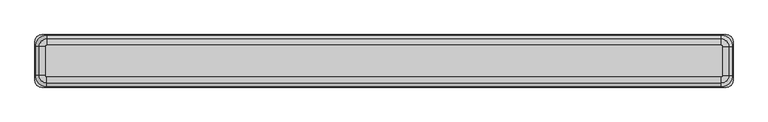
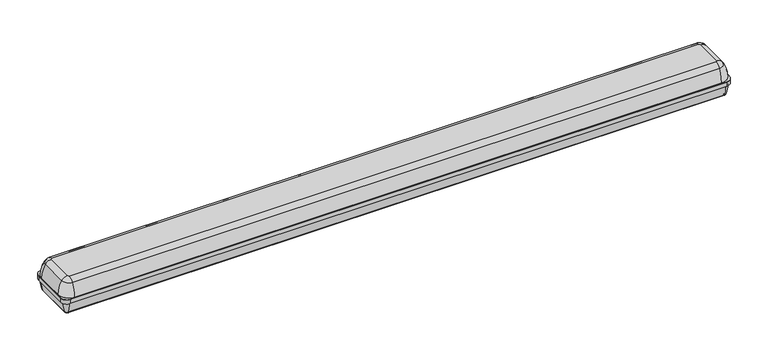
"""IFC4 building model written with IfcOpenShell, lengths in millimetres: light fixture geometry."""

from ifc_helpers import new_model, si_unit, point, frame, frame_2d, origin, origin_with_axes, place, context, project, spatial, polyline, circle_curve, ellipse_curve, trimmed, segment, composite_curve, outline, extrude, source, transform, mapped, element, save
from ifc_brep_helpers import plane_surface, cylinder_surface, revolved_surface, advanced_brep


def light_fixture_72950779(model_context):
    return source(origin(), model_context, "Body", "SolidModel", [
        extrude(outline(composite_curve([segment(trimmed(circle_curve(frame_2d((768.0, 44.0)), 1.3187148), [point((768.0, 45.3187148))], [point((769.3187148, 44.0))], False, "CARTESIAN"), True, "CONTINUOUS"), segment(polyline([(769.3187148, 44.0), (769.3187148, -44.0)]), True, "CONTINUOUS"), segment(trimmed(circle_curve(frame_2d((768.0, -44.0)), 1.3187148), [point((769.3187148, -44.0))], [point((768.0, -45.3187148))], False, "CARTESIAN"), True, "CONTINUOUS"), segment(polyline([(768.0, -45.3187148), (-768.0, -45.3187148)]), True, "CONTINUOUS"), segment(trimmed(circle_curve(frame_2d((-768.0, -44.0)), 1.3187148), [point((-768.0, -45.3187148))], [point((-769.3187148, -44.0))], False, "CARTESIAN"), True, "CONTINUOUS"), segment(polyline([(-769.3187148, -44.0), (-769.3187148, 44.0)]), True, "CONTINUOUS"), segment(trimmed(circle_curve(frame_2d((-768.0, 44.0)), 1.3187148), [point((-769.3187148, 44.0))], [point((-768.0, 45.3187148))], False, "CARTESIAN"), True, "CONTINUOUS"), segment(polyline([(-768.0, 45.3187148), (768.0, 45.3187148)]), True, "CONTINUOUS")], self_intersect=False)), origin_with_axes(), (0.0, 0.0, 1.0), 40.0),
        extrude(outline(composite_curve([segment(trimmed(circle_curve(frame_2d((-768.0, 44.0)), 15.0), [point((-783.0, 44.0))], [point((-768.0, 59.0))], False, "CARTESIAN"), True, "CONTINUOUS"), segment(polyline([(-768.0, 59.0), (768.0, 59.0)]), True, "CONTINUOUS"), segment(trimmed(circle_curve(frame_2d((768.0, 44.0)), 15.0), [point((768.0, 59.0))], [point((783.0, 44.0))], False, "CARTESIAN"), True, "CONTINUOUS"), segment(polyline([(783.0, 44.0), (783.0, -44.0)]), True, "CONTINUOUS"), segment(trimmed(circle_curve(frame_2d((768.0, -44.0)), 15.0), [point((783.0, -44.0))], [point((768.0, -59.0))], False, "CARTESIAN"), True, "CONTINUOUS"), segment(polyline([(768.0, -59.0), (-768.0, -59.0)]), True, "CONTINUOUS"), segment(trimmed(circle_curve(frame_2d((-768.0, -44.0)), 15.0), [point((-768.0, -59.0))], [point((-783.0, -44.0))], False, "CARTESIAN"), True, "CONTINUOUS"), segment(polyline([(-783.0, -44.0), (-783.0, 44.0)]), True, "CONTINUOUS")], self_intersect=False), holes=[composite_curve([segment(trimmed(circle_curve(frame_2d((757.0, -33.0)), 23.9920951), [point((757.0, -56.9920951))], [point((780.9920951, -33.0))], True, "CARTESIAN"), True, "CONTINUOUS"), segment(polyline([(780.9920951, -33.0), (780.9920951, 33.0)]), True, "CONTINUOUS"), segment(trimmed(circle_curve(frame_2d((757.0, 33.0)), 23.9920951), [point((780.9920951, 33.0))], [point((757.0, 56.9920951))], True, "CARTESIAN"), True, "CONTINUOUS"), segment(polyline([(757.0, 56.9920951), (-757.0, 56.9920951)]), True, "CONTINUOUS"), segment(trimmed(circle_curve(frame_2d((-757.0, 33.0)), 23.9920951), [point((-757.0, 56.9920951))], [point((-780.9920951, 33.0))], True, "CARTESIAN"), True, "CONTINUOUS"), segment(polyline([(-780.9920951, 33.0), (-780.9920951, -33.0)]), True, "CONTINUOUS"), segment(trimmed(circle_curve(frame_2d((-757.0, -33.0)), 23.9920951), [point((-780.9920951, -33.0))], [point((-757.0, -56.9920951))], True, "CARTESIAN"), True, "CONTINUOUS"), segment(polyline([(-757.0, -56.9920951), (757.0, -56.9920951)]), True, "CONTINUOUS")], self_intersect=False)]), frame((0.0, 0.0, 40.0), z_axis=(0.0, 0.0, 1.0), x_axis=(1.0, 0.0, 0.0)), (0.0, 0.0, 1.0), 1.0),
        advanced_brep(
        [(-779.7246506, 44.0, 30.0), (-768.0, 55.7246506, 30.0), (-768.0, 50.2102035, 3.9639793), (-774.2102035, 44.0, 3.9639793), (-774.2102035, -44.0, 3.9639793), (-779.7246506, -44.0, 30.0), (-768.0, -55.7246506, 30.0), (-768.0, -50.2102035, 3.9639793), (768.0, -50.2102035, 3.9639793), (768.0, -55.7246506, 30.0), (779.7246506, -44.0, 30.0), (774.2102035, -44.0, 3.9639793), (774.2102035, 44.0, 3.9639793), (779.7246506, 44.0, 30.0), (768.0, 55.7246506, 30.0), (768.0, 50.2102035, 3.9639793), (-783.0, 44.0, 40.0), (-768.0, 59.0, 40.0), (-768.0, 59.0, 30.0), (-783.0, 44.0, 30.0), (-769.3187148, 44.0, 0.0), (-768.0, 45.3187148, 0.0), (-768.0, 45.3187148, 2.0), (-769.3187148, 44.0, 2.0), (-783.0, -44.0, 30.0), (-783.0, -44.0, 40.0), (-769.3187148, 44.0, 40.0), (-769.3187148, -44.0, 40.0), (-769.3187148, -44.0, 2.0), (-769.3187148, -44.0, 0.0), (-768.0, -59.0, 40.0), (-768.0, -59.0, 30.0), (-768.0, -45.3187148, 0.0), (-768.0, -45.3187148, 2.0), (768.0, -59.0, 30.0), (768.0, -59.0, 40.0), (-768.0, -45.3187148, 40.0), (768.0, -45.3187148, 40.0), (768.0, -45.3187148, 2.0), (768.0, -45.3187148, 0.0), (783.0, -44.0, 40.0), (783.0, -44.0, 30.0), (769.3187148, -44.0, 0.0), (769.3187148, -44.0, 2.0), (783.0, 44.0, 30.0), (783.0, 44.0, 40.0), (769.3187148, -44.0, 40.0), (769.3187148, 44.0, 40.0), (769.3187148, 44.0, 2.0), (769.3187148, 44.0, 0.0), (768.0, 59.0, 40.0), (768.0, 59.0, 30.0), (768.0, 45.3187148, 0.0), (768.0, 45.3187148, 2.0), (-768.0, 45.3187148, 40.0), (768.0, 45.3187148, 40.0)],
        [
            (0, 1, circle_curve(frame((-768.0, 44.0, 30.0), z_axis=(0.0, 0.0, -1.0), x_axis=(0.0, 1.0, 0.0)), 11.7246506)),
            (1, 2),
            (2, 3, circle_curve(frame((-768.0, 44.0, 3.9639793), z_axis=(0.0, 0.0, 1.0), x_axis=(0.0, 1.0, 0.0)), 6.2102035)),
            (3, 0),
            (3, 4),
            (4, 5),
            (5, 0),
            (6, 5, circle_curve(frame((-768.0, -44.0, 30.0), z_axis=(0.0, 0.0, -1.0), x_axis=(-1.0, 0.0, 0.0)), 11.7246506)),
            (4, 7, circle_curve(frame((-768.0, -44.0, 3.9639793), z_axis=(0.0, 0.0, 1.0), x_axis=(-1.0, 0.0, 0.0)), 6.2102035)),
            (7, 6),
            (7, 8),
            (8, 9),
            (9, 6),
            (10, 9, circle_curve(frame((768.0, -44.0, 30.0), z_axis=(0.0, 0.0, -1.0), x_axis=(0.0, -1.0, 0.0)), 11.7246506)),
            (8, 11, circle_curve(frame((768.0, -44.0, 3.9639793), z_axis=(0.0, 0.0, 1.0), x_axis=(0.0, -1.0, 0.0)), 6.2102035)),
            (11, 10),
            (11, 12),
            (12, 13),
            (13, 10),
            (14, 13, circle_curve(frame((768.0, 44.0, 30.0), z_axis=(0.0, 0.0, -1.0), x_axis=(1.0, 0.0, 0.0)), 11.7246506)),
            (12, 15, circle_curve(frame((768.0, 44.0, 3.9639793), z_axis=(0.0, 0.0, 1.0), x_axis=(1.0, 0.0, 0.0)), 6.2102035)),
            (15, 14),
            (15, 2),
            (1, 14),
            (16, 17, circle_curve(frame((-768.0, 44.0, 40.0), z_axis=(0.0, 0.0, -1.0), x_axis=(0.0, 1.0, 0.0)), 15.0)),
            (17, 18),
            (18, 19, circle_curve(frame((-768.0, 44.0, 30.0), z_axis=(0.0, 0.0, 1.0), x_axis=(0.0, 1.0, 0.0)), 15.0)),
            (19, 16),
            (20, 21, circle_curve(frame((-768.0, 44.0, 0.0), z_axis=(0.0, 0.0, -1.0), x_axis=(0.0, 1.0, 0.0)), 1.3187148)),
            (21, 22),
            (22, 23, circle_curve(frame((-768.0, 44.0, 2.0), z_axis=(0.0, 0.0, 1.0), x_axis=(0.0, 1.0, 0.0)), 1.3187148)),
            (23, 20),
            (2, 21, circle_curve(frame((-768.0, 45.3187148, 5.0), z_axis=(-1.0, 0.0, 0.0), x_axis=(0.0, -1.0, 0.0)), 5.0)),
            (20, 3, circle_curve(frame((-769.3187148, 44.0, 5.0), z_axis=(0.0, 1.0, 0.0), x_axis=(1.0, 0.0, 0.0)), 5.0)),
            (19, 24),
            (24, 25),
            (25, 16),
            (23, 26),
            (26, 27),
            (27, 28),
            (28, 29),
            (29, 20),
            (29, 4, circle_curve(frame((-769.3187148, -44.0, 5.0), z_axis=(0.0, 1.0, 0.0), x_axis=(1.0, 0.0, 0.0)), 5.0)),
            (30, 25, circle_curve(frame((-768.0, -44.0, 40.0), z_axis=(0.0, 0.0, -1.0), x_axis=(-1.0, 0.0, 0.0)), 15.0)),
            (24, 31, circle_curve(frame((-768.0, -44.0, 30.0), z_axis=(0.0, 0.0, 1.0), x_axis=(-1.0, 0.0, 0.0)), 15.0)),
            (31, 30),
            (32, 29, circle_curve(frame((-768.0, -44.0, 0.0), z_axis=(0.0, 0.0, -1.0), x_axis=(-1.0, 0.0, 0.0)), 1.3187148)),
            (28, 33, circle_curve(frame((-768.0, -44.0, 2.0), z_axis=(0.0, 0.0, 1.0), x_axis=(-1.0, 0.0, 0.0)), 1.3187148)),
            (33, 32),
            (32, 7, circle_curve(frame((-768.0, -45.3187148, 5.0), z_axis=(-1.0, 0.0, 0.0), x_axis=(0.0, 1.0, 0.0)), 5.0)),
            (31, 34),
            (34, 35),
            (35, 30),
            (33, 36),
            (36, 37),
            (37, 38),
            (38, 39),
            (39, 32),
            (39, 8, circle_curve(frame((768.0, -45.3187148, 5.0), z_axis=(-1.0, 0.0, 0.0), x_axis=(0.0, 1.0, 0.0)), 5.0)),
            (40, 35, circle_curve(frame((768.0, -44.0, 40.0), z_axis=(0.0, 0.0, -1.0), x_axis=(0.0, -1.0, 0.0)), 15.0)),
            (34, 41, circle_curve(frame((768.0, -44.0, 30.0), z_axis=(0.0, 0.0, 1.0), x_axis=(0.0, -1.0, 0.0)), 15.0)),
            (41, 40),
            (42, 39, circle_curve(frame((768.0, -44.0, 0.0), z_axis=(0.0, 0.0, -1.0), x_axis=(0.0, -1.0, 0.0)), 1.3187148)),
            (38, 43, circle_curve(frame((768.0, -44.0, 2.0), z_axis=(0.0, 0.0, 1.0), x_axis=(0.0, -1.0, 0.0)), 1.3187148)),
            (43, 42),
            (42, 11, circle_curve(frame((769.3187148, -44.0, 5.0), z_axis=(0.0, -1.0, 0.0), x_axis=(-1.0, 0.0, 0.0)), 5.0)),
            (41, 44),
            (44, 45),
            (45, 40),
            (43, 46),
            (46, 47),
            (47, 48),
            (48, 49),
            (49, 42),
            (49, 12, circle_curve(frame((769.3187148, 44.0, 5.0), z_axis=(0.0, -1.0, 0.0), x_axis=(-1.0, 0.0, 0.0)), 5.0)),
            (50, 45, circle_curve(frame((768.0, 44.0, 40.0), z_axis=(0.0, 0.0, -1.0), x_axis=(1.0, 0.0, 0.0)), 15.0)),
            (44, 51, circle_curve(frame((768.0, 44.0, 30.0), z_axis=(0.0, 0.0, 1.0), x_axis=(1.0, 0.0, 0.0)), 15.0)),
            (51, 50),
            (52, 49, circle_curve(frame((768.0, 44.0, 0.0), z_axis=(0.0, 0.0, -1.0), x_axis=(1.0, 0.0, 0.0)), 1.3187148)),
            (48, 53, circle_curve(frame((768.0, 44.0, 2.0), z_axis=(0.0, 0.0, 1.0), x_axis=(1.0, 0.0, 0.0)), 1.3187148)),
            (53, 52),
            (52, 15, circle_curve(frame((768.0, 45.3187148, 5.0), z_axis=(1.0, 0.0, 0.0), x_axis=(0.0, -1.0, 0.0)), 5.0)),
            (18, 51),
            (17, 50),
            (54, 55),
            (55, 47, circle_curve(frame((768.0, 44.0, 40.0), z_axis=(0.0, 0.0, -1.0), x_axis=(1.0, 0.0, 0.0)), 1.3187148)),
            (46, 37, circle_curve(frame((768.0, -44.0, 40.0), z_axis=(0.0, 0.0, -1.0), x_axis=(0.0, -1.0, 0.0)), 1.3187148)),
            (36, 27, circle_curve(frame((-768.0, -44.0, 40.0), z_axis=(0.0, 0.0, -1.0), x_axis=(-1.0, 0.0, 0.0)), 1.3187148)),
            (26, 54, circle_curve(frame((-768.0, 44.0, 40.0), z_axis=(0.0, 0.0, -1.0), x_axis=(0.0, 1.0, 0.0)), 1.3187148)),
            (53, 55),
            (54, 22),
            (21, 52),
        ],
        [
            revolved_surface(polyline([(-768.0, 50.2102035, 3.9639793), (-768.0, 55.7246506, 30.0)]), (-768.0, 44.0, 0.0), (0.0, 0.0, 1.0)),
            plane_surface(frame((-774.2102035, 44.0, 3.9639793), z_axis=(-0.978297729288193, 0.0, -0.20720413333127638), x_axis=(0.0, -1.0, 0.0))),
            revolved_surface(polyline([(-774.2102035, -44.0, 3.9639793), (-779.7246506, -44.0, 30.0)]), (-768.0, -44.0, 0.0), (0.0, 0.0, 1.0)),
            plane_surface(frame((-768.0, -50.2102035, 3.9639793), z_axis=(0.0, -0.978297729288193, -0.20720413333127638), x_axis=(1.0, 0.0, 0.0))),
            revolved_surface(polyline([(768.0, -50.2102035, 3.9639793), (768.0, -55.7246506, 30.0)]), (768.0, -44.0, 0.0), (0.0, 0.0, 1.0)),
            plane_surface(frame((774.2102035, -44.0, 3.9639793), z_axis=(0.978297729288193, 0.0, -0.20720413333127638), x_axis=(0.0, 1.0, 0.0))),
            revolved_surface(polyline([(774.2102035, 44.0, 3.9639793), (779.7246506, 44.0, 30.0)]), (768.0, 44.0, 0.0), (0.0, 0.0, 1.0)),
            plane_surface(frame((768.0, 50.2102035, 3.9639793), z_axis=(0.0, 0.978297729288193, -0.20720413333127638), x_axis=(-1.0, 0.0, 0.0))),
            cylinder_surface(frame((-768.0, 44.0, 0.0), z_axis=(0.0, 0.0, 1.0), x_axis=(0.0, 1.0, 0.0)), 15.0),
            revolved_surface(polyline([(-768.0, 45.3187148, 2.0), (-768.0, 45.3187148, 0.0)]), (-768.0, 44.0, 0.0), (0.0, 0.0, 1.0)),
            revolved_surface(trimmed(ellipse_curve(frame((-768.0, 45.3187148, 5.0), z_axis=(1.0, 0.0, 0.0), x_axis=(0.0, -1.0, 0.0)), 5.0, 5.0), [point((-768.0, 45.3187148, 0.0))], [point((-768.0, 50.2102035, 3.9639793))], True, "CARTESIAN"), (-768.0, 44.0, 0.0), (0.0, 0.0, 1.0)),
            plane_surface(frame((-783.0, 44.0, 30.0), z_axis=(-1.0, 0.0, 0.0), x_axis=(0.0, -1.0, 0.0))),
            plane_surface(frame((-769.3187148, 44.0, 2.0), z_axis=(1.0, 0.0, 0.0), x_axis=(0.0, -1.0, 0.0))),
            cylinder_surface(frame((-769.3187148, 44.0, 5.0), z_axis=(0.0, 1.0, 0.0), x_axis=(1.0, 0.0, 0.0)), 5.0),
            cylinder_surface(frame((-768.0, -44.0, 0.0), z_axis=(0.0, 0.0, 1.0), x_axis=(-1.0, 0.0, 0.0)), 15.0),
            revolved_surface(polyline([(-769.3187148, -44.0, 2.0), (-769.3187148, -44.0, 0.0)]), (-768.0, -44.0, 0.0), (0.0, 0.0, 1.0)),
            revolved_surface(trimmed(ellipse_curve(frame((-769.3187148, -44.0, 5.0), z_axis=(0.0, 1.0, 0.0), x_axis=(1.0, 0.0, 0.0)), 5.0, 5.0), [point((-769.3187148, -44.0, 0.0))], [point((-774.2102035, -44.0, 3.9639793))], True, "CARTESIAN"), (-768.0, -44.0, 0.0), (0.0, 0.0, 1.0)),
            plane_surface(frame((-768.0, -59.0, 30.0), z_axis=(0.0, -1.0, 0.0), x_axis=(1.0, 0.0, 0.0))),
            plane_surface(frame((-768.0, -45.3187148, 2.0), z_axis=(0.0, 1.0, 0.0), x_axis=(1.0, 0.0, 0.0))),
            cylinder_surface(frame((-768.0, -45.3187148, 5.0), z_axis=(-1.0, 0.0, 0.0), x_axis=(0.0, 1.0, 0.0)), 5.0),
            cylinder_surface(frame((768.0, -44.0, 0.0), z_axis=(0.0, 0.0, 1.0), x_axis=(0.0, -1.0, 0.0)), 15.0),
            revolved_surface(polyline([(768.0, -45.3187148, 2.0), (768.0, -45.3187148, 0.0)]), (768.0, -44.0, 0.0), (0.0, 0.0, 1.0)),
            revolved_surface(trimmed(ellipse_curve(frame((768.0, -45.3187148, 5.0), z_axis=(-1.0, 0.0, 0.0), x_axis=(0.0, 1.0, 0.0)), 5.0, 5.0), [point((768.0, -45.3187148, 0.0))], [point((768.0, -50.2102035, 3.9639793))], True, "CARTESIAN"), (768.0, -44.0, 0.0), (0.0, 0.0, 1.0)),
            plane_surface(frame((783.0, -44.0, 30.0), z_axis=(1.0, 0.0, 0.0), x_axis=(0.0, 1.0, 0.0))),
            plane_surface(frame((769.3187148, -44.0, 2.0), z_axis=(-1.0, 0.0, 0.0), x_axis=(0.0, 1.0, 0.0))),
            cylinder_surface(frame((769.3187148, -44.0, 5.0), z_axis=(0.0, -1.0, 0.0), x_axis=(-1.0, 0.0, 0.0)), 5.0),
            cylinder_surface(frame((768.0, 44.0, 0.0), z_axis=(0.0, 0.0, 1.0), x_axis=(1.0, 0.0, 0.0)), 15.0),
            revolved_surface(polyline([(769.3187148, 44.0, 2.0), (769.3187148, 44.0, 0.0)]), (768.0, 44.0, 0.0), (0.0, 0.0, 1.0)),
            revolved_surface(trimmed(ellipse_curve(frame((769.3187148, 44.0, 5.0), z_axis=(0.0, -1.0, 0.0), x_axis=(-1.0, 0.0, 0.0)), 5.0, 5.0), [point((769.3187148, 44.0, 0.0))], [point((774.2102035, 44.0, 3.9639793))], True, "CARTESIAN"), (768.0, 44.0, 0.0), (0.0, 0.0, 1.0)),
            plane_surface(frame((768.0, 55.7246506, 30.0), z_axis=(0.0, 0.0, -1.0), x_axis=(-1.0, 0.0, 0.0))),
            plane_surface(frame((768.0, 59.0, 30.0), z_axis=(0.0, 1.0, 0.0), x_axis=(-1.0, 0.0, 0.0))),
            plane_surface(frame((768.0, 59.0, 40.0), z_axis=(0.0, 0.0, 1.0), x_axis=(-1.0, 0.0, 0.0))),
            plane_surface(frame((768.0, 45.3187148, 2.0), z_axis=(0.0, -1.0, 0.0), x_axis=(-1.0, 0.0, 0.0))),
            cylinder_surface(frame((768.0, 45.3187148, 5.0), z_axis=(1.0, 0.0, 0.0), x_axis=(0.0, -1.0, 0.0)), 5.0),
            revolved_surface(polyline([(-768.0, 45.3187148, 40.0), (-768.0, 45.3187148, 2.0)]), (-768.0, 44.0, 0.0), (0.0, 0.0, 1.0)),
            revolved_surface(polyline([(-769.3187148, -44.0, 40.0), (-769.3187148, -44.0, 2.0)]), (-768.0, -44.0, 0.0), (0.0, 0.0, 1.0)),
            revolved_surface(polyline([(768.0, -45.3187148, 40.0), (768.0, -45.3187148, 2.0)]), (768.0, -44.0, 0.0), (0.0, 0.0, 1.0)),
            revolved_surface(polyline([(769.3187148, 44.0, 40.0), (769.3187148, 44.0, 2.0)]), (768.0, 44.0, 0.0), (0.0, 0.0, 1.0)),
        ],
        [
            (0, [[1, 2, 3, 4]]),
            (1, [[-4, 5, 6, 7]]),
            (2, [[8, -6, 9, 10]]),
            (3, [[-10, 11, 12, 13]]),
            (4, [[14, -12, 15, 16]]),
            (5, [[-16, 17, 18, 19]]),
            (6, [[20, -18, 21, 22]]),
            (7, [[-22, 23, -2, 24]]),
            (8, [[25, 26, 27, 28]]),
            (9, [[29, 30, 31, 32]]),
            (10, [[-3, 33, -29, 34]]),
            (11, [[-28, 35, 36, 37]]),
            (12, [[-32, 38, 39, 40, 41, 42]]),
            (13, [[-34, -42, 43, -5]]),
            (14, [[44, -36, 45, 46]]),
            (15, [[47, -41, 48, 49]]),
            (16, [[-9, -43, -47, 50]]),
            (17, [[-46, 51, 52, 53]]),
            (18, [[-49, 54, 55, 56, 57, 58]]),
            (19, [[-50, -58, 59, -11]]),
            (20, [[60, -52, 61, 62]]),
            (21, [[63, -57, 64, 65]]),
            (22, [[-15, -59, -63, 66]]),
            (23, [[-62, 67, 68, 69]]),
            (24, [[-65, 70, 71, 72, 73, 74]]),
            (25, [[-66, -74, 75, -17]]),
            (26, [[76, -68, 77, 78]]),
            (27, [[79, -73, 80, 81]]),
            (28, [[-21, -75, -79, 82]]),
            (29, [[83, -77, -67, -61, -51, -45, -35, -27], [-19, -20, -24, -1, -7, -8, -13, -14]]),
            (30, [[-78, -83, -26, 84]]),
            (31, [[-69, -76, -84, -25, -37, -44, -53, -60], [85, 86, -71, 87, -55, 88, -39, 89]]),
            (32, [[-81, 90, -85, 91, -30, 92]]),
            (33, [[-82, -92, -33, -23]]),
            (34, [[-31, -91, -89, -38]]),
            (35, [[-48, -40, -88, -54]]),
            (36, [[-64, -56, -87, -70]]),
            (37, [[-80, -72, -86, -90]]),
        ],
    ),
        advanced_brep(
        [(773.1083188, 33.0, 72.613282), (757.0, 49.1083188, 72.613282), (757.0, 36.1840031, 80.0), (760.1840031, 33.0, 80.0), (781.9922182, 33.0, 41.0), (757.0, 57.9922182, 41.0), (760.1840031, -33.0, 80.0), (773.1083188, -33.0, 72.613282), (781.9922182, -33.0, 41.0), (757.0, -36.1840031, 80.0), (757.0, -49.1083188, 72.613282), (757.0, -57.9922182, 41.0), (-757.0, -36.1840031, 80.0), (-757.0, -49.1083188, 72.613282), (-757.0, -57.9922182, 41.0), (-760.1840031, -33.0, 80.0), (-773.1083188, -33.0, 72.613282), (-781.9922182, -33.0, 41.0), (-760.1840031, 33.0, 80.0), (-773.1083188, 33.0, 72.613282), (-781.9922182, 33.0, 41.0), (-757.0, 36.1840031, 80.0), (-757.0, 49.1083188, 72.613282), (-757.0, 57.9922182, 41.0), (772.2466978, 33.0, 72.1057298), (757.0, 48.2466978, 72.1057298), (757.0, 56.9920951, 41.0), (780.9920951, 33.0, 41.0), (760.1840031, 33.0, 79.0), (757.0, 36.1840031, 79.0), (780.9920951, -33.0, 41.0), (772.2466978, -33.0, 72.1057298), (760.1840031, -33.0, 79.0), (757.0, -56.9920951, 41.0), (757.0, -48.2466978, 72.1057298), (757.0, -36.1840031, 79.0), (-757.0, -56.9920951, 41.0), (-757.0, -48.2466978, 72.1057298), (-757.0, -36.1840031, 79.0), (-780.9920951, -33.0, 41.0), (-772.2466978, -33.0, 72.1057298), (-760.1840031, -33.0, 79.0), (-780.9920951, 33.0, 41.0), (-772.2466978, 33.0, 72.1057298), (-760.1840031, 33.0, 79.0), (-757.0, 56.9920951, 41.0), (-757.0, 48.2466978, 72.1057298), (-757.0, 36.1840031, 79.0)],
        [
            (0, 1, circle_curve(frame((757.0, 33.0, 72.613282), z_axis=(0.0, 0.0, 1.0), x_axis=(0.0, 1.0, 0.0)), 16.1083188)),
            (1, 2, circle_curve(frame((757.0, 36.1840031, 65.0), z_axis=(1.0, 0.0, 0.0), x_axis=(0.0, 1.0, 0.0)), 15.0)),
            (2, 3, circle_curve(frame((757.0, 33.0, 80.0), z_axis=(0.0, 0.0, -1.0), x_axis=(0.0, 1.0, 0.0)), 3.1840031)),
            (3, 0, circle_curve(frame((760.1840031, 33.0, 65.0), z_axis=(0.0, 1.0, 0.0), x_axis=(1.0, 0.0, 0.0)), 15.0)),
            (0, 4, circle_curve(frame((717.743976, 33.0, 40.0), z_axis=(0.0, 1.0, 0.0), x_axis=(1.0, 0.0, 0.0)), 64.256024)),
            (4, 5, circle_curve(frame((757.0, 33.0, 41.0), z_axis=(0.0, 0.0, 1.0), x_axis=(0.0, 1.0, 0.0)), 24.9922182)),
            (5, 1, circle_curve(frame((757.0, -6.256024, 40.0), z_axis=(1.0, 0.0, 0.0), x_axis=(0.0, 1.0, 0.0)), 64.256024)),
            (3, 6),
            (6, 7, circle_curve(frame((760.1840031, -33.0, 65.0), z_axis=(0.0, 1.0, 0.0), x_axis=(1.0, 0.0, 0.0)), 15.0)),
            (7, 0),
            (7, 8, circle_curve(frame((717.743976, -33.0, 40.0), z_axis=(0.0, 1.0, 0.0), x_axis=(1.0, 0.0, 0.0)), 64.256024)),
            (8, 4),
            (6, 9, circle_curve(frame((757.0, -33.0, 80.0), z_axis=(0.0, 0.0, -1.0), x_axis=(1.0, 0.0, 0.0)), 3.1840031)),
            (9, 10, circle_curve(frame((757.0, -36.1840031, 65.0), z_axis=(1.0, 0.0, 0.0), x_axis=(0.0, -1.0, 0.0)), 15.0)),
            (10, 7, circle_curve(frame((757.0, -33.0, 72.613282), z_axis=(0.0, 0.0, 1.0), x_axis=(1.0, 0.0, 0.0)), 16.1083188)),
            (10, 11, circle_curve(frame((757.0, 6.256024, 40.0), z_axis=(1.0, 0.0, 0.0), x_axis=(0.0, -1.0, 0.0)), 64.256024)),
            (11, 8, circle_curve(frame((757.0, -33.0, 41.0), z_axis=(0.0, 0.0, 1.0), x_axis=(1.0, 0.0, 0.0)), 24.9922182)),
            (9, 12),
            (12, 13, circle_curve(frame((-757.0, -36.1840031, 65.0), z_axis=(1.0, 0.0, 0.0), x_axis=(0.0, -1.0, 0.0)), 15.0)),
            (13, 10),
            (13, 14, circle_curve(frame((-757.0, 6.256024, 40.0), z_axis=(1.0, 0.0, 0.0), x_axis=(0.0, -1.0, 0.0)), 64.256024)),
            (14, 11),
            (12, 15, circle_curve(frame((-757.0, -33.0, 80.0), z_axis=(0.0, 0.0, -1.0), x_axis=(0.0, -1.0, 0.0)), 3.1840031)),
            (15, 16, circle_curve(frame((-760.1840031, -33.0, 65.0), z_axis=(0.0, -1.0, 0.0), x_axis=(-1.0, 0.0, 0.0)), 15.0)),
            (16, 13, circle_curve(frame((-757.0, -33.0, 72.613282), z_axis=(0.0, 0.0, 1.0), x_axis=(0.0, -1.0, 0.0)), 16.1083188)),
            (16, 17, circle_curve(frame((-717.743976, -33.0, 40.0), z_axis=(0.0, -1.0, 0.0), x_axis=(-1.0, 0.0, 0.0)), 64.256024)),
            (17, 14, circle_curve(frame((-757.0, -33.0, 41.0), z_axis=(0.0, 0.0, 1.0), x_axis=(0.0, -1.0, 0.0)), 24.9922182)),
            (15, 18),
            (18, 19, circle_curve(frame((-760.1840031, 33.0, 65.0), z_axis=(0.0, -1.0, 0.0), x_axis=(-1.0, 0.0, 0.0)), 15.0)),
            (19, 16),
            (19, 20, circle_curve(frame((-717.743976, 33.0, 40.0), z_axis=(0.0, -1.0, 0.0), x_axis=(-1.0, 0.0, 0.0)), 64.256024)),
            (20, 17),
            (18, 21, circle_curve(frame((-757.0, 33.0, 80.0), z_axis=(0.0, 0.0, -1.0), x_axis=(-1.0, 0.0, 0.0)), 3.1840031)),
            (21, 22, circle_curve(frame((-757.0, 36.1840031, 65.0), z_axis=(-1.0, 0.0, 0.0), x_axis=(0.0, 1.0, 0.0)), 15.0)),
            (22, 19, circle_curve(frame((-757.0, 33.0, 72.613282), z_axis=(0.0, 0.0, 1.0), x_axis=(-1.0, 0.0, 0.0)), 16.1083188)),
            (22, 23, circle_curve(frame((-757.0, -6.256024, 40.0), z_axis=(-1.0, 0.0, 0.0), x_axis=(0.0, 1.0, 0.0)), 64.256024)),
            (23, 20, circle_curve(frame((-757.0, 33.0, 41.0), z_axis=(0.0, 0.0, 1.0), x_axis=(-1.0, 0.0, 0.0)), 24.9922182)),
            (2, 21),
            (1, 22),
            (5, 23),
            (24, 25, circle_curve(frame((757.0, 33.0, 72.1057298), z_axis=(0.0, 0.0, 1.0), x_axis=(0.0, 1.0, 0.0)), 15.2466978)),
            (25, 26, circle_curve(frame((757.0, -6.256024, 40.0), z_axis=(-1.0, 0.0, 0.0), x_axis=(0.0, 1.0, 0.0)), 63.256024)),
            (26, 27, circle_curve(frame((757.0, 33.0, 41.0), z_axis=(0.0, 0.0, -1.0), x_axis=(0.0, 1.0, 0.0)), 23.9920951)),
            (27, 24, circle_curve(frame((717.743976, 33.0, 40.0), z_axis=(0.0, -1.0, 0.0), x_axis=(1.0, 0.0, 0.0)), 63.256024)),
            (24, 28, circle_curve(frame((760.1840031, 33.0, 65.0), z_axis=(0.0, -1.0, 0.0), x_axis=(1.0, 0.0, 0.0)), 14.0)),
            (28, 29, circle_curve(frame((757.0, 33.0, 79.0), z_axis=(0.0, 0.0, 1.0), x_axis=(0.0, 1.0, 0.0)), 3.1840031)),
            (29, 25, circle_curve(frame((757.0, 36.1840031, 65.0), z_axis=(-1.0, 0.0, 0.0), x_axis=(0.0, 1.0, 0.0)), 14.0)),
            (27, 30),
            (30, 31, circle_curve(frame((717.743976, -33.0, 40.0), z_axis=(0.0, -1.0, 0.0), x_axis=(1.0, 0.0, 0.0)), 63.256024)),
            (31, 24),
            (31, 32, circle_curve(frame((760.1840031, -33.0, 65.0), z_axis=(0.0, -1.0, 0.0), x_axis=(1.0, 0.0, 0.0)), 14.0)),
            (32, 28),
            (30, 33, circle_curve(frame((757.0, -33.0, 41.0), z_axis=(0.0, 0.0, -1.0), x_axis=(1.0, 0.0, 0.0)), 23.9920951)),
            (33, 34, circle_curve(frame((757.0, 6.256024, 40.0), z_axis=(-1.0, 0.0, 0.0), x_axis=(0.0, -1.0, 0.0)), 63.256024)),
            (34, 31, circle_curve(frame((757.0, -33.0, 72.1057298), z_axis=(0.0, 0.0, 1.0), x_axis=(1.0, 0.0, 0.0)), 15.2466978)),
            (34, 35, circle_curve(frame((757.0, -36.1840031, 65.0), z_axis=(-1.0, 0.0, 0.0), x_axis=(0.0, -1.0, 0.0)), 14.0)),
            (35, 32, circle_curve(frame((757.0, -33.0, 79.0), z_axis=(0.0, 0.0, 1.0), x_axis=(1.0, 0.0, 0.0)), 3.1840031)),
            (33, 36),
            (36, 37, circle_curve(frame((-757.0, 6.256024, 40.0), z_axis=(-1.0, 0.0, 0.0), x_axis=(0.0, -1.0, 0.0)), 63.256024)),
            (37, 34),
            (37, 38, circle_curve(frame((-757.0, -36.1840031, 65.0), z_axis=(-1.0, 0.0, 0.0), x_axis=(0.0, -1.0, 0.0)), 14.0)),
            (38, 35),
            (36, 39, circle_curve(frame((-757.0, -33.0, 41.0), z_axis=(0.0, 0.0, -1.0), x_axis=(0.0, -1.0, 0.0)), 23.9920951)),
            (39, 40, circle_curve(frame((-717.743976, -33.0, 40.0), z_axis=(0.0, 1.0, 0.0), x_axis=(-1.0, 0.0, 0.0)), 63.256024)),
            (40, 37, circle_curve(frame((-757.0, -33.0, 72.1057298), z_axis=(0.0, 0.0, 1.0), x_axis=(0.0, -1.0, 0.0)), 15.2466978)),
            (40, 41, circle_curve(frame((-760.1840031, -33.0, 65.0), z_axis=(0.0, 1.0, 0.0), x_axis=(-1.0, 0.0, 0.0)), 14.0)),
            (41, 38, circle_curve(frame((-757.0, -33.0, 79.0), z_axis=(0.0, 0.0, 1.0), x_axis=(0.0, -1.0, 0.0)), 3.1840031)),
            (39, 42),
            (42, 43, circle_curve(frame((-717.743976, 33.0, 40.0), z_axis=(0.0, 1.0, 0.0), x_axis=(-1.0, 0.0, 0.0)), 63.256024)),
            (43, 40),
            (43, 44, circle_curve(frame((-760.1840031, 33.0, 65.0), z_axis=(0.0, 1.0, 0.0), x_axis=(-1.0, 0.0, 0.0)), 14.0)),
            (44, 41),
            (42, 45, circle_curve(frame((-757.0, 33.0, 41.0), z_axis=(0.0, 0.0, -1.0), x_axis=(-1.0, 0.0, 0.0)), 23.9920951)),
            (45, 46, circle_curve(frame((-757.0, -6.256024, 40.0), z_axis=(1.0, 0.0, 0.0), x_axis=(0.0, 1.0, 0.0)), 63.256024)),
            (46, 43, circle_curve(frame((-757.0, 33.0, 72.1057298), z_axis=(0.0, 0.0, 1.0), x_axis=(-1.0, 0.0, 0.0)), 15.2466978)),
            (46, 47, circle_curve(frame((-757.0, 36.1840031, 65.0), z_axis=(1.0, 0.0, 0.0), x_axis=(0.0, 1.0, 0.0)), 14.0)),
            (47, 44, circle_curve(frame((-757.0, 33.0, 79.0), z_axis=(0.0, 0.0, 1.0), x_axis=(-1.0, 0.0, 0.0)), 3.1840031)),
            (25, 46),
            (45, 26),
            (29, 47),
        ],
        [
            revolved_surface(trimmed(ellipse_curve(frame((757.0, 36.1840031, 65.0), z_axis=(-1.0, 0.0, 0.0), x_axis=(0.0, 1.0, 0.0)), 15.0, 15.0), [point((757.0, 36.1840031, 80.0))], [point((757.0, 49.1083188, 72.613282))], True, "CARTESIAN"), (757.0, 33.0, 0.0), (0.0, 0.0, -1.0)),
            revolved_surface(trimmed(ellipse_curve(frame((757.0, -6.256024, 40.0), z_axis=(-1.0, 0.0, 0.0), x_axis=(0.0, 1.0, 0.0)), 64.256024, 64.256024), [point((757.0, 49.1083188, 72.613282))], [point((757.0, 57.9922182, 41.0))], True, "CARTESIAN"), (757.0, 33.0, 0.0), (0.0, 0.0, -1.0)),
            cylinder_surface(frame((760.1840031, 33.0, 65.0), z_axis=(0.0, 1.0, 0.0), x_axis=(1.0, 0.0, 0.0)), 15.0),
            cylinder_surface(frame((717.743976, 33.0, 40.0), z_axis=(0.0, 1.0, 0.0), x_axis=(1.0, 0.0, 0.0)), 64.256024),
            revolved_surface(trimmed(ellipse_curve(frame((760.1840031, -33.0, 65.0), z_axis=(0.0, 1.0, 0.0), x_axis=(1.0, 0.0, 0.0)), 15.0, 15.0), [point((760.1840031, -33.0, 80.0))], [point((773.1083188, -33.0, 72.613282))], True, "CARTESIAN"), (757.0, -33.0, 0.0), (0.0, 0.0, -1.0)),
            revolved_surface(trimmed(ellipse_curve(frame((717.743976, -33.0, 40.0), z_axis=(0.0, 1.0, 0.0), x_axis=(1.0, 0.0, 0.0)), 64.256024, 64.256024), [point((773.1083188, -33.0, 72.613282))], [point((781.9922182, -33.0, 41.0))], True, "CARTESIAN"), (757.0, -33.0, 0.0), (0.0, 0.0, -1.0)),
            cylinder_surface(frame((757.0, -36.1840031, 65.0), z_axis=(1.0, 0.0, 0.0), x_axis=(0.0, -1.0, 0.0)), 15.0),
            cylinder_surface(frame((757.0, 6.256024, 40.0), z_axis=(1.0, 0.0, 0.0), x_axis=(0.0, -1.0, 0.0)), 64.256024),
            revolved_surface(trimmed(ellipse_curve(frame((-757.0, -36.1840031, 65.0), z_axis=(1.0, 0.0, 0.0), x_axis=(0.0, -1.0, 0.0)), 15.0, 15.0), [point((-757.0, -36.1840031, 80.0))], [point((-757.0, -49.1083188, 72.613282))], True, "CARTESIAN"), (-757.0, -33.0, 0.0), (0.0, 0.0, -1.0)),
            revolved_surface(trimmed(ellipse_curve(frame((-757.0, 6.256024, 40.0), z_axis=(1.0, 0.0, 0.0), x_axis=(0.0, -1.0, 0.0)), 64.256024, 64.256024), [point((-757.0, -49.1083188, 72.613282))], [point((-757.0, -57.9922182, 41.0))], True, "CARTESIAN"), (-757.0, -33.0, 0.0), (0.0, 0.0, -1.0)),
            cylinder_surface(frame((-760.1840031, -33.0, 65.0), z_axis=(0.0, -1.0, 0.0), x_axis=(-1.0, 0.0, 0.0)), 15.0),
            cylinder_surface(frame((-717.743976, -33.0, 40.0), z_axis=(0.0, -1.0, 0.0), x_axis=(-1.0, 0.0, 0.0)), 64.256024),
            revolved_surface(trimmed(ellipse_curve(frame((-760.1840031, 33.0, 65.0), z_axis=(0.0, -1.0, 0.0), x_axis=(-1.0, 0.0, 0.0)), 15.0, 15.0), [point((-760.1840031, 33.0, 80.0))], [point((-773.1083188, 33.0, 72.613282))], True, "CARTESIAN"), (-757.0, 33.0, 0.0), (0.0, 0.0, -1.0)),
            revolved_surface(trimmed(ellipse_curve(frame((-717.743976, 33.0, 40.0), z_axis=(0.0, -1.0, 0.0), x_axis=(-1.0, 0.0, 0.0)), 64.256024, 64.256024), [point((-773.1083188, 33.0, 72.613282))], [point((-781.9922182, 33.0, 41.0))], True, "CARTESIAN"), (-757.0, 33.0, 0.0), (0.0, 0.0, -1.0)),
            plane_surface(frame((-757.0, 34.0, 80.0), z_axis=(0.0, 0.0, 1.0), x_axis=(1.0, 0.0, 0.0))),
            cylinder_surface(frame((-757.0, 36.1840031, 65.0), z_axis=(-1.0, 0.0, 0.0), x_axis=(0.0, 1.0, 0.0)), 15.0),
            cylinder_surface(frame((-757.0, -6.256024, 40.0), z_axis=(-1.0, 0.0, 0.0), x_axis=(0.0, 1.0, 0.0)), 64.256024),
            revolved_surface(trimmed(ellipse_curve(frame((757.0, -6.256024, 40.0), z_axis=(1.0, 0.0, 0.0), x_axis=(0.0, 1.0, 0.0)), 63.256024, 63.256024), [point((757.0, 56.9920951, 41.0))], [point((757.0, 48.2466978, 72.1057298))], True, "CARTESIAN"), (757.0, 33.0, 0.0), (0.0, 0.0, -1.0)),
            revolved_surface(trimmed(ellipse_curve(frame((757.0, 36.1840031, 65.0), z_axis=(1.0, 0.0, 0.0), x_axis=(0.0, 1.0, 0.0)), 14.0, 14.0), [point((757.0, 48.2466978, 72.1057298))], [point((757.0, 36.1840031, 79.0))], True, "CARTESIAN"), (757.0, 33.0, 0.0), (0.0, 0.0, -1.0)),
            revolved_surface(polyline([(781.0, -33.0, 40.0), (781.0, 33.0, 40.0)]), (717.743976, 33.0, 40.0), (0.0, -1.0, 0.0)),
            revolved_surface(polyline([(774.1840031, -33.0, 65.0), (774.1840031, 33.0, 65.0)]), (760.1840031, 33.0, 65.0), (0.0, -1.0, 0.0)),
            revolved_surface(trimmed(ellipse_curve(frame((717.743976, -33.0, 40.0), z_axis=(0.0, -1.0, 0.0), x_axis=(1.0, 0.0, 0.0)), 63.256024, 63.256024), [point((780.9920951, -33.0, 41.0))], [point((772.2466978, -33.0, 72.1057298))], True, "CARTESIAN"), (757.0, -33.0, 0.0), (0.0, 0.0, -1.0)),
            revolved_surface(trimmed(ellipse_curve(frame((760.1840031, -33.0, 65.0), z_axis=(0.0, -1.0, 0.0), x_axis=(1.0, 0.0, 0.0)), 14.0, 14.0), [point((772.2466978, -33.0, 72.1057298))], [point((760.1840031, -33.0, 79.0))], True, "CARTESIAN"), (757.0, -33.0, 0.0), (0.0, 0.0, -1.0)),
            revolved_surface(polyline([(-757.0, -57.0, 40.0), (757.0, -57.0, 40.0)]), (757.0, 6.256024, 40.0), (-1.0, 0.0, 0.0)),
            revolved_surface(polyline([(-757.0, -50.1840031, 65.0), (757.0, -50.1840031, 65.0)]), (757.0, -36.1840031, 65.0), (-1.0, 0.0, 0.0)),
            revolved_surface(trimmed(ellipse_curve(frame((-757.0, 6.256024, 40.0), z_axis=(-1.0, 0.0, 0.0), x_axis=(0.0, -1.0, 0.0)), 63.256024, 63.256024), [point((-757.0, -56.9920951, 41.0))], [point((-757.0, -48.2466978, 72.1057298))], True, "CARTESIAN"), (-757.0, -33.0, 0.0), (0.0, 0.0, -1.0)),
            revolved_surface(trimmed(ellipse_curve(frame((-757.0, -36.1840031, 65.0), z_axis=(-1.0, 0.0, 0.0), x_axis=(0.0, -1.0, 0.0)), 14.0, 14.0), [point((-757.0, -48.2466978, 72.1057298))], [point((-757.0, -36.1840031, 79.0))], True, "CARTESIAN"), (-757.0, -33.0, 0.0), (0.0, 0.0, -1.0)),
            revolved_surface(polyline([(-781.0, 33.0, 40.0), (-781.0, -33.0, 40.0)]), (-717.743976, -33.0, 40.0), (0.0, 1.0, 0.0)),
            revolved_surface(polyline([(-774.1840031, 33.0, 65.0), (-774.1840031, -33.0, 65.0)]), (-760.1840031, -33.0, 65.0), (0.0, 1.0, 0.0)),
            revolved_surface(trimmed(ellipse_curve(frame((-717.743976, 33.0, 40.0), z_axis=(0.0, 1.0, 0.0), x_axis=(-1.0, 0.0, 0.0)), 63.256024, 63.256024), [point((-780.9920951, 33.0, 41.0))], [point((-772.2466978, 33.0, 72.1057298))], True, "CARTESIAN"), (-757.0, 33.0, 0.0), (0.0, 0.0, -1.0)),
            revolved_surface(trimmed(ellipse_curve(frame((-760.1840031, 33.0, 65.0), z_axis=(0.0, 1.0, 0.0), x_axis=(-1.0, 0.0, 0.0)), 14.0, 14.0), [point((-772.2466978, 33.0, 72.1057298))], [point((-760.1840031, 33.0, 79.0))], True, "CARTESIAN"), (-757.0, 33.0, 0.0), (0.0, 0.0, -1.0)),
            revolved_surface(polyline([(757.0, 57.0, 40.0), (-757.0, 57.0, 40.0)]), (-757.0, -6.256024, 40.0), (1.0, 0.0, 0.0)),
            revolved_surface(polyline([(757.0, 50.1840031, 65.0), (-757.0, 50.1840031, 65.0)]), (-757.0, 36.1840031, 65.0), (1.0, 0.0, 0.0)),
            plane_surface(frame((-757.0, 36.1840031, 79.0), z_axis=(0.0, 0.0, -1.0), x_axis=(1.0, 0.0, 0.0))),
            plane_surface(frame((-757.0, 57.9922182, 41.0), z_axis=(0.0, 0.0, -1.0), x_axis=(1.0, 0.0, 0.0))),
        ],
        [
            (0, [[1, 2, 3, 4]]),
            (1, [[-1, 5, 6, 7]]),
            (2, [[-4, 8, 9, 10]]),
            (3, [[-5, -10, 11, 12]]),
            (4, [[-9, 13, 14, 15]]),
            (5, [[-11, -15, 16, 17]]),
            (6, [[-14, 18, 19, 20]]),
            (7, [[-16, -20, 21, 22]]),
            (8, [[-19, 23, 24, 25]]),
            (9, [[-21, -25, 26, 27]]),
            (10, [[-24, 28, 29, 30]]),
            (11, [[-26, -30, 31, 32]]),
            (12, [[-29, 33, 34, 35]]),
            (13, [[-31, -35, 36, 37]]),
            (14, [[-3, 38, -33, -28, -23, -18, -13, -8]]),
            (15, [[-2, 39, -34, -38]]),
            (16, [[-7, 40, -36, -39]]),
            (17, [[41, 42, 43, 44]]),
            (18, [[-41, 45, 46, 47]]),
            (19, [[-44, 48, 49, 50]]),
            (20, [[-45, -50, 51, 52]]),
            (21, [[-49, 53, 54, 55]]),
            (22, [[-51, -55, 56, 57]]),
            (23, [[-54, 58, 59, 60]]),
            (24, [[-56, -60, 61, 62]]),
            (25, [[-59, 63, 64, 65]]),
            (26, [[-61, -65, 66, 67]]),
            (27, [[-64, 68, 69, 70]]),
            (28, [[-66, -70, 71, 72]]),
            (29, [[-69, 73, 74, 75]]),
            (30, [[-71, -75, 76, 77]]),
            (31, [[-42, 78, -74, 79]]),
            (32, [[-47, 80, -76, -78]]),
            (33, [[-46, -52, -57, -62, -67, -72, -77, -80]]),
            (34, [[-6, -12, -17, -22, -27, -32, -37, -40], [-43, -79, -73, -68, -63, -58, -53, -48]]),
        ],
    ),
    ])


if __name__ == "__main__":
    model = new_model("IFC4")
    model_context = context("Model", 3, world=origin())
    ifc_project = project(units=[si_unit("LENGTHUNIT", "METRE", prefix="MILLI")], contexts=[model_context])
    site = spatial("IfcSite", under=ifc_project)
    building = spatial("IfcBuilding", under=site)
    placement = place(None, origin())
    light_fixture_shape = light_fixture_72950779(model_context)
    element("IfcLightFixture", 1, at=placement, inside=building, context=model_context, shape_type="MappedRepresentation", body=[
        mapped(light_fixture_shape, transform((0.0, 0.0, 0.0), x_axis=(1.0, 0.0, 0.0), y_axis=(0.0, 1.0, 0.0), z_axis=(0.0, 0.0, 1.0))),
    ])
    save(model, "model.ifc")
